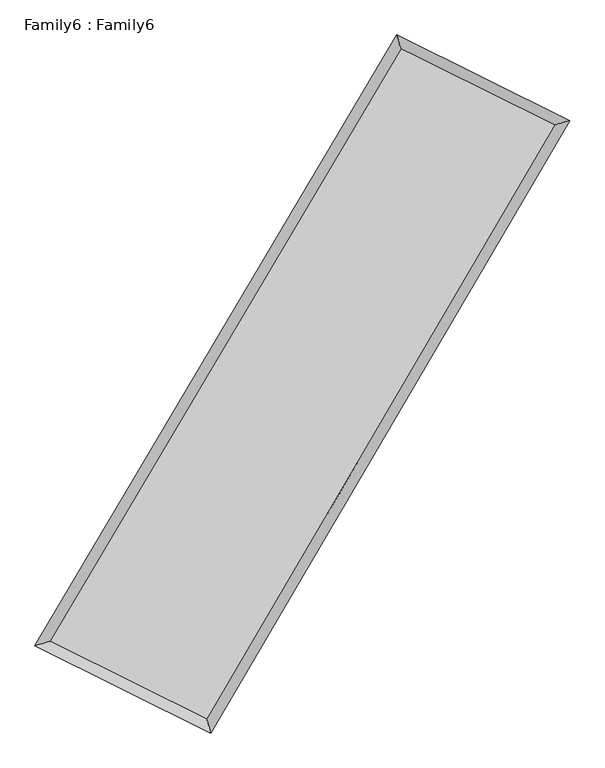
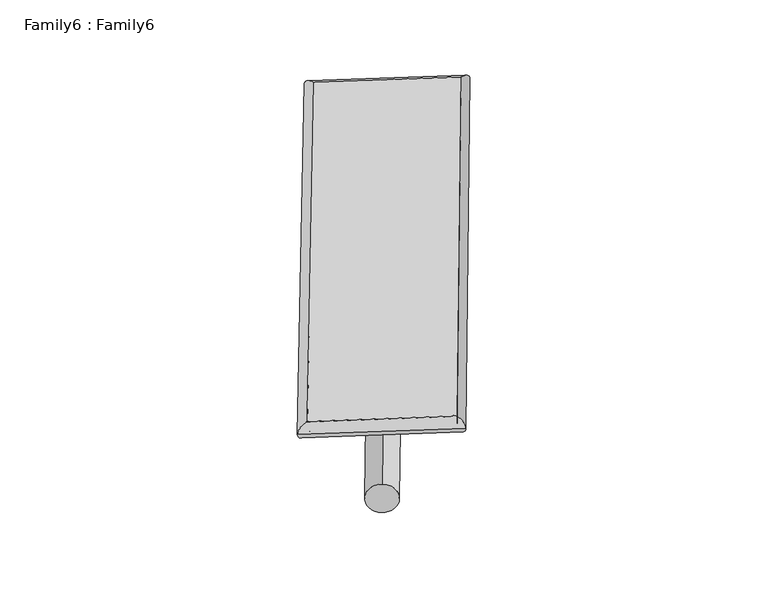
"""IFC4 building model written with IfcOpenShell, lengths in millimetres: plate geometry, Family6 : Family6."""

from ifc_helpers import new_model, si_unit, point, frame, origin, origin_2d, place, context, project, spatial, circle_curve, ellipse_curve, trimmed, segment, composite_curve, outline, extrude, source, transform, mapped, element, save
from ifc_brep_helpers import plane_surface, cylinder_surface, spline_surface, advanced_brep


def family6_family6_79ec75ae(model_context):
    return source(origin(), model_context, "Body", "SolidModel", [
        extrude(outline(composite_curve([segment(trimmed(circle_curve(origin_2d(), 76.2), [point((-75.4341514, -10.7763073))], [point((75.4341514, 10.7763073))], False, "CARTESIAN"), True, "CONTINUOUS"), segment(trimmed(circle_curve(origin_2d(), 76.2), [point((75.4341514, 10.7763073))], [point((-75.4341514, -10.7763073))], False, "CARTESIAN"), True, "CONTINUOUS")], self_intersect=False)), frame((9144.0, 9144.0, 0.0), z_axis=(0.6726547823319907, 0.6895721634497816, 0.26837618225373516), x_axis=(-0.6810589635668798, 0.7187592429047606, -0.1397992806998054)), (0.0, 0.0, 1.0), 5665.1727222),
        extrude(outline(composite_curve([segment(trimmed(circle_curve(origin_2d(), 76.2), [point((-53.8815367, 53.8815368))], [point((53.8815367, -53.8815368))], False, "CARTESIAN"), True, "CONTINUOUS"), segment(trimmed(circle_curve(origin_2d(), 76.2), [point((53.8815367, -53.8815368))], [point((-53.8815367, 53.8815368))], False, "CARTESIAN"), True, "CONTINUOUS")], self_intersect=False)), frame((9144.0, 9144.0, 0.0), z_axis=(-0.6757690120021341, -0.6866250961051322, 0.2681085970577549), x_axis=(0.6378382469380002, -0.3623948843427784, 0.6795824589740698)), (0.0, 0.0, 1.0), 5671.4428454),
        extrude(outline(composite_curve([segment(trimmed(circle_curve(origin_2d(), 76.2), [point((-53.8815367, -53.8815367))], [point((53.8815367, 53.8815367))], False, "CARTESIAN"), True, "CONTINUOUS"), segment(trimmed(circle_curve(origin_2d(), 76.2), [point((53.8815367, 53.8815367))], [point((-53.8815367, -53.8815367))], False, "CARTESIAN"), True, "CONTINUOUS")], self_intersect=False)), frame((9144.0, 9144.0, 0.0), z_axis=(0.2685385154261952, 0.9223741638393071, 0.2776922174178351), x_axis=(-0.8416065120563089, 0.3649005301611335, -0.39817845490751724)), (0.0, 0.0, 1.0), 5490.3794235),
        extrude(outline(composite_curve([segment(trimmed(circle_curve(origin_2d(), 76.2), [point((-75.4341514, 10.7763074))], [point((75.4341514, -10.7763074))], False, "CARTESIAN"), True, "CONTINUOUS"), segment(trimmed(circle_curve(origin_2d(), 76.2), [point((75.4341514, -10.7763074))], [point((-75.4341514, 10.7763074))], False, "CARTESIAN"), True, "CONTINUOUS")], self_intersect=False)), frame((9144.0, 9144.0, 0.0), z_axis=(-0.26422783969545477, -0.9236939807675311, 0.2774402253165629), x_axis=(0.8811437794787351, -0.11423886182172933, 0.45884106435192373)), (0.0, 0.0, 1.0), 5495.8680683),
        advanced_brep(
        [(5096.6645712, 5186.3478776, 1520.8872774), (5526.1654054, 5313.3430023, 1520.9708602), (5526.1647722, 5313.3421448, 1520.2378918), (10677.4231975, 14008.8454024, 1524.1914413), (10559.3334816, 14407.5228574, 1525.0798319), (5096.663938, 5186.3470201, 1520.154309), (12740.5881123, 12986.5572547, 1520.4487611), (13168.8229363, 13114.5335661, 1520.3460928), (7632.2446631, 4267.2634562, 1524.6976827), (7751.4326431, 3867.7360363, 1524.8520676)],
        [
            (0, 1, ellipse_curve(frame((5311.4146717, 5249.8450112, 1520.5625846), z_axis=(-0.28354536581049217, 0.9589584226689419, -0.0008769946916315817), x_axis=(-0.9589575843487012, -0.28354635109227294, -0.0013484073425657826)), 223.9420735, 152.4)),
            (1, 2, ellipse_curve(frame((5311.4146717, 5249.8450112, 1520.5625846), z_axis=(-0.28354536581049217, 0.9589584226689419, -0.0008769946916315817), x_axis=(-0.9589575843487012, -0.28354635109227294, -0.0013484073425657826)), 223.9420735, 152.4)),
            (2, 3),
            (3, 4, ellipse_curve(frame((10618.3783395, 14208.1841299, 1524.6356366), z_axis=(-0.9588214557137743, -0.28400828737755657, 0.0008418810996305806), x_axis=(0.2840068793294514, -0.9588210964111128, -0.0014824204996879912)), 207.9000644, 152.4)),
            (4, 0),
            (2, 5, ellipse_curve(frame((5311.4146717, 5249.8450112, 1520.5625846), z_axis=(-0.28354536581049217, 0.9589584226689419, -0.0008769946916315817), x_axis=(-0.9589575843487012, -0.28354635109227294, -0.0013484073425657826)), 223.9420735, 152.4)),
            (5, 0, ellipse_curve(frame((5311.4146717, 5249.8450112, 1520.5625846), z_axis=(-0.28354536581049217, 0.9589584226689419, -0.0008769946916315817), x_axis=(-0.9589575843487012, -0.28354635109227294, -0.0013484073425657826)), 223.9420735, 152.4)),
            (4, 3, ellipse_curve(frame((10618.3783395, 14208.1841299, 1524.6356366), z_axis=(-0.9588214557137743, -0.28400828737755657, 0.0008418810996305806), x_axis=(0.2840068793294514, -0.9588210964111128, -0.0014824204996879912)), 207.9000644, 152.4)),
            (3, 6),
            (6, 7, ellipse_curve(frame((12954.7055243, 13050.5454104, 1520.397427), z_axis=(-0.28633312783452647, 0.9581297194866852, 0.0008834822366631419), x_axis=(-0.958128802459421, -0.286334143455701, 0.0013986383255609677)), 223.4744534, 152.4)),
            (7, 4),
            (7, 6, ellipse_curve(frame((12954.7055243, 13050.5454104, 1520.397427), z_axis=(-0.28633312783452647, 0.9581297194866852, 0.0008834822366631419), x_axis=(-0.958128802459421, -0.286334143455701, 0.0013986383255609677)), 223.4744534, 152.4)),
            (6, 8),
            (8, 9, ellipse_curve(frame((7691.8386531, 4067.4997463, 1524.7748752), z_axis=(0.9582672166691111, 0.28587288657464915, 0.0007963533842924304), x_axis=(-0.28587154717901536, 0.9582668204322529, -0.0014694802266446622)), 208.4635104, 152.4)),
            (9, 7),
            (9, 8, ellipse_curve(frame((7691.8386531, 4067.4997463, 1524.7748752), z_axis=(0.9582672166691111, 0.28587288657464915, 0.0007963533842924304), x_axis=(-0.28587154717901536, 0.9582668204322529, -0.0014694802266446622)), 208.4635104, 152.4)),
            (8, 1),
            (5, 9),
        ],
        [
            cylinder_surface(frame((5311.4146717, 5249.8450112, 1520.5625846), z_axis=(-0.5096828092080817, -0.8603622963484341, -0.00039117746289144234), x_axis=(-0.8603600699344726, 0.5096803300984325, 0.002551700041624547)), 152.4),
            cylinder_surface(frame((10618.3783395, 14208.1841299, 1524.6356366), z_axis=(-0.8960347916034013, 0.44398086687181204, 0.0016254500925753919), x_axis=(0.4439830627029973, 0.8960340741093813, 0.0014064379865707495)), 152.4),
            cylinder_surface(frame((12954.7055243, 13050.5454104, 1520.397427), z_axis=(0.505500947411859, 0.86282594732798, -0.0004204560467645509), x_axis=(0.8628260422285731, -0.5055009474118589, 0.00011409596816567315)), 152.4),
            cylinder_surface(frame((7691.8386531, 4067.4997463, 1524.7748752), z_axis=(0.8956068392166958, -0.4448436555430482, 0.0015848253460905896), x_axis=(-0.4448426232597737, -0.8956082260327191, -0.0009726221718063404)), 152.4),
        ],
        [
            (0, [[1, 2, 3, 4, 5]]),
            (0, [[6, 7, -5, 8, -3]]),
            (1, [[-4, 9, 10, 11]]),
            (1, [[-8, -11, 12, -9]]),
            (2, [[-10, 13, 14, 15]]),
            (2, [[-12, -15, 16, -13]]),
            (3, [[-14, 17, -1, -7, 18]]),
            (3, [[-16, -18, -6, -2, -17]]),
        ],
    ),
        extrude(outline(composite_curve([segment(trimmed(circle_curve(origin_2d(), 304.8), [point((0.0, -304.8))], [point((0.0, 304.8))], False, "CARTESIAN"), True, "CONTINUOUS"), segment(trimmed(circle_curve(origin_2d(), 304.8), [point((0.0, 304.8))], [point((0.0, -304.8))], False, "CARTESIAN"), True, "CONTINUOUS")], self_intersect=False)), frame((6490.9184109, 4631.7433215, -0.0001294), z_axis=(0.5068516378708494, 0.8620333039898382, 2.472198106826687e-08), x_axis=(-0.8620333039898386, 0.5068516378708495, 6.729405198614847e-09)), (0.0, 0.0, 1.0), 10468.8685638),
        advanced_brep(
        [(5311.4146717, 5249.8450112, 1520.5625846), (7691.8386531, 4067.4997463, 1524.7748752), (7691.8382641, 4067.5025698, 1677.1748751), (5311.4142828, 5249.8478347, 1672.9625846), (12954.7055243, 13050.5454104, 1520.397427), (12954.7051354, 13050.5482339, 1672.797427), (10618.3783395, 14208.1841299, 1524.6356366), (10618.3779506, 14208.1869534, 1677.0356365)],
        [
            (0, 1),
            (1, 2),
            (2, 3),
            (3, 0),
            (1, 4),
            (4, 5),
            (5, 2),
            (4, 6),
            (6, 7),
            (7, 5),
            (6, 0),
            (3, 7),
        ],
        [
            plane_surface(frame((6501.6266624, 4658.6723787, 1522.6687299), z_axis=(-0.44484423608202445, -0.8956079529490887, 1.5457784404237173e-05), x_axis=(0.8956068392166957, -0.4448436555430482, 0.001584825346090592))),
            plane_surface(frame((10323.2720887, 8559.0225783, 1522.5861511), z_axis=(0.8628260259954331, -0.5055009878636456, 1.156748855541244e-05), x_axis=(0.5055009474118586, 0.8628259473279801, -0.00042045604676454936))),
            plane_surface(frame((11786.5419319, 13629.3647701, 1522.5165318), z_axis=(0.44398143080966374, 0.8960359863626837, -1.5467916586651325e-05), x_axis=(-0.8960347916034014, 0.44398086687181204, 0.0016254500925753936))),
            plane_surface(frame((7964.8965056, 9729.0145706, 1522.5991106), z_axis=(-0.8603623597959279, 0.5096828520863971, -1.1638679083242505e-05), x_axis=(-0.5096828092080818, -0.8603622963484342, -0.0003911774628914415))),
            spline_surface(1, 1, [[(7691.8382641, 4067.5025698, 1677.1748751), (5311.4142828, 5249.8478347, 1672.9625846)], [(12954.7051354, 13050.5482339, 1672.797427), (10618.3779506, 14208.1869534, 1677.0356365)]], [2, 2], [2, 2], [0.0, 1.0], [0.0, 1.0]),
            spline_surface(1, 1, [[(10618.3783395, 14208.1841299, 1524.6356366), (5311.4146717, 5249.8450112, 1520.5625846)], [(12954.7055243, 13050.5454104, 1520.397427), (7691.8386531, 4067.4997463, 1524.7748752)]], [2, 2], [2, 2], [0.0, 1.0], [0.0, 1.0]),
        ],
        [
            (0, [[1, 2, 3, 4]]),
            (1, [[5, 6, 7, -2]]),
            (2, [[8, 9, 10, -6]]),
            (3, [[11, -4, 12, -9]]),
            (4, [[-3, -7, -10, -12]]),
            (5, [[-11, -8, -5, -1]]),
        ],
    ),
    ])


if __name__ == "__main__":
    model = new_model("IFC4")
    model_context = context("Model", 3, world=origin())
    ifc_project = project(units=[si_unit("LENGTHUNIT", "METRE", prefix="MILLI")], contexts=[model_context])
    site = spatial("IfcSite", under=ifc_project)
    building = spatial("IfcBuilding", under=site)
    placement = place(None, origin())
    family6_family6_shape = family6_family6_79ec75ae(model_context)
    element("IfcPlate", 1, ObjectType="Family6 : Family6", at=placement, inside=building, context=model_context, shape_type="MappedRepresentation", body=[
        mapped(family6_family6_shape, transform((0.0, 0.0, 0.0), x_axis=(1.0, 0.0, 0.0), y_axis=(0.0, 1.0, 0.0), z_axis=(0.0, 0.0, 1.0))),
    ])
    save(model, "model.ifc")
